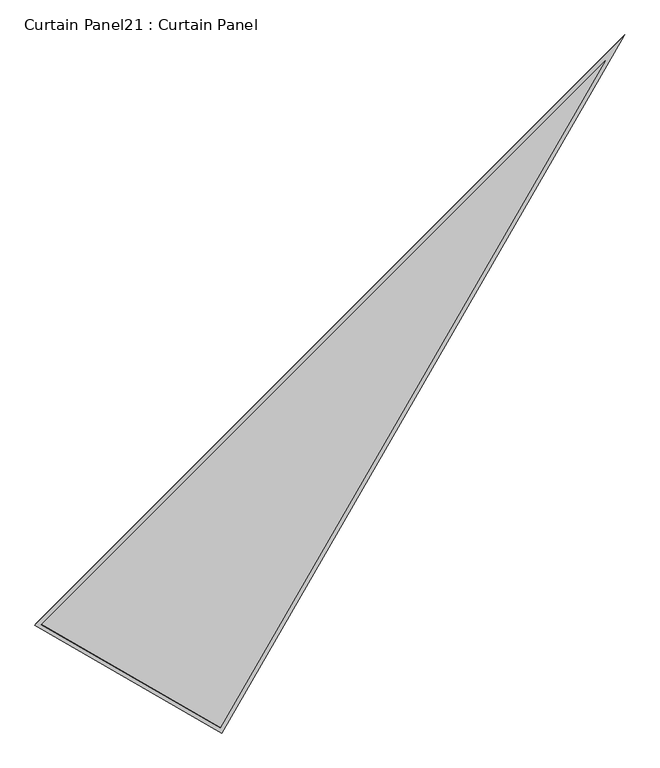
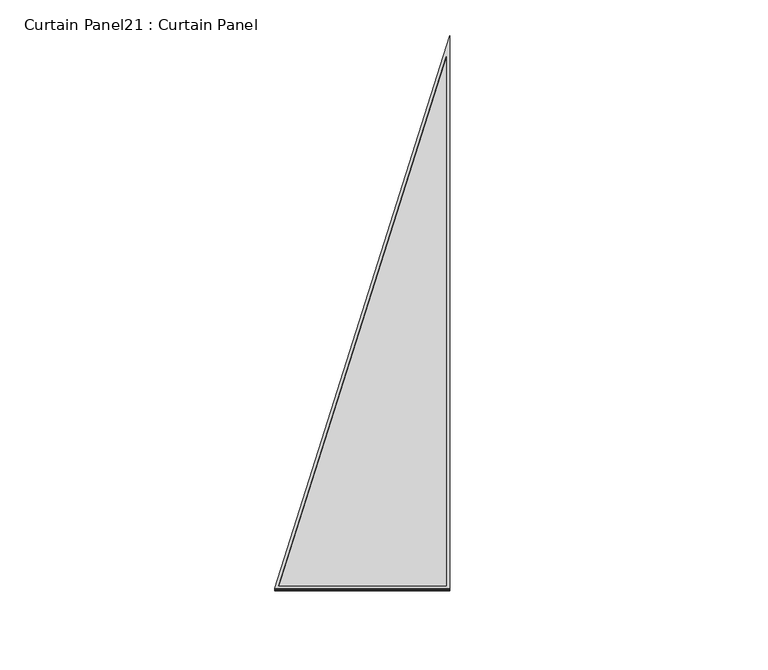
"""IFC4 building model written with IfcOpenShell, lengths in millimetres: plate geometry, Curtain Panel21 : Curtain Panel."""

from ifc_helpers import new_model, si_unit, frame, origin, place, context, project, spatial, polyline, outline, extrude, source, transform, mapped, element, save


def curtain_panel21_curtain_panel_8dbe2eaa(model_context):
    return source(origin(), model_context, "Body", "SweptSolid", [
        extrude(outline(polyline([(896.0020487, 0.0), (0.0, -3524.705153), (0.0, 0.0), (896.0020487, 0.0)]), holes=[polyline([(874.5735092, -16.6627979), (16.6627979, -16.6627979), (16.6627979, -3391.5237257), (874.5735092, -16.6627979)])]), frame((8203.2120556, -3990.7750463, 898.6664422), z_axis=(-0.15807291198690468, -0.2737903148616779, 0.948710608132914), x_axis=(-0.8660254037844316, 0.5000000000000124, 0.0)), (0.0, 0.0, 1.0), 4.8672914),
        extrude(outline(polyline([(896.0020486, 0.0), (0.0, -3524.7051529), (0.0, 0.0), (896.0020486, 0.0)]), holes=[polyline([(882.7396783, -10.3127979), (10.3127978, -10.3127979), (10.3127978, -3442.2776309), (882.7396783, -10.3127979)])]), frame((8205.9927895, -3985.9586738, 881.9772337), z_axis=(-0.15807291198690476, -0.27379031486167804, 0.948710608132914), x_axis=(-0.8660254037844316, 0.5000000000000124, 0.0)), (0.0, 0.0, 1.0), 4.7820771),
        extrude(outline(polyline([(12.7, 0.0), (908.7020486, 0.0), (12.6999999, -3524.7051529), (12.7, 0.0)])), frame((8216.2353953, -3993.6179602, 886.514041), z_axis=(-0.1580729119869049, -0.27379031486167804, 0.948710608132914), x_axis=(-0.8660254037844348, 0.5000000000000067, 0.0)), (0.0, 0.0, 1.0), 12.8093869),
    ])


if __name__ == "__main__":
    model = new_model("IFC4")
    model_context = context("Model", 3, world=origin())
    ifc_project = project(units=[si_unit("LENGTHUNIT", "METRE", prefix="MILLI")], contexts=[model_context])
    site = spatial("IfcSite", under=ifc_project)
    building = spatial("IfcBuilding", under=site)
    placement = place(None, origin())
    curtain_panel21_curtain_panel_shape = curtain_panel21_curtain_panel_8dbe2eaa(model_context)
    element("IfcPlate", 1, ObjectType="Curtain Panel21 : Curtain Panel", at=placement, inside=building, context=model_context, shape_type="MappedRepresentation", body=[
        mapped(curtain_panel21_curtain_panel_shape, transform((0.0, 0.0, 0.0), x_axis=(1.0, 0.0, 0.0), y_axis=(0.0, 1.0, 0.0), z_axis=(0.0, 0.0, 1.0))),
    ])
    save(model, "model.ifc")
